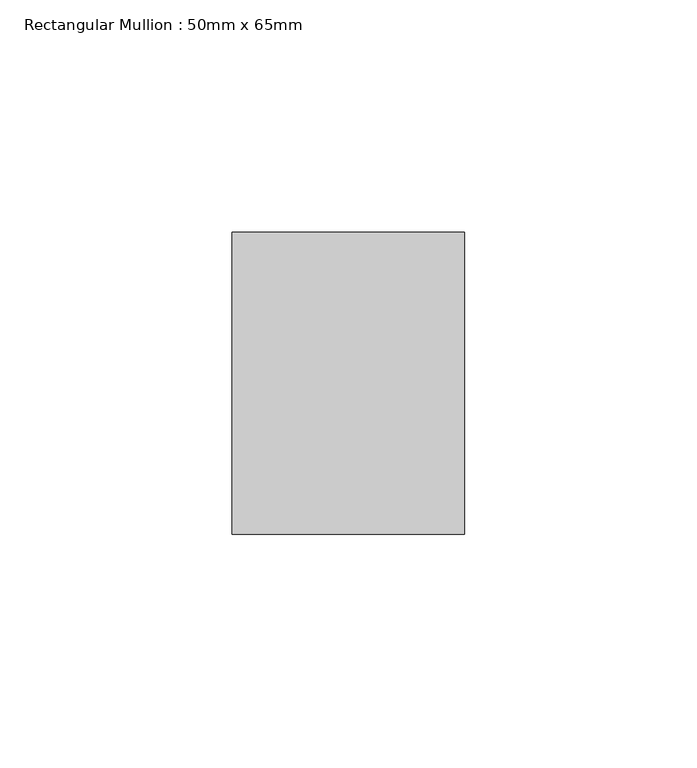
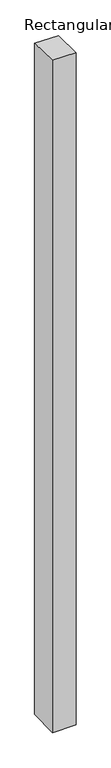
"""IFC4 building model written with IfcOpenShell, lengths in millimetres: member geometry, Rectangular Mullion : 50mm x 65mm."""

from ifc_helpers import new_model, si_unit, origin, place, context, project, spatial, faceted_brep, source, transform, mapped, element, save


def rectangular_mullion_50mm_x_65mm_38e27a8c(model_context):
    return source(origin(), model_context, "Body", "Brep", [
        faceted_brep([(-25.0, 32.5, -0.7127119), (25.0, 32.5, -0.7127039), (25.0, 32.5, -1499.1020228), (-25.0, 32.5, -1499.1020127), (-25.0, -32.5, 0.7127039), (-25.0, -32.5, -1500.8979398), (25.0, -32.5, 0.7127119), (25.0, -32.5, -1500.8979499)], [[[0, 1, 2, 3]], [[4, 0, 3, 5]], [[6, 4, 5, 7]], [[1, 6, 7, 2]], [[1, 0, 4, 6]], [[2, 7, 5, 3]]]),
    ])


if __name__ == "__main__":
    model = new_model("IFC4")
    model_context = context("Model", 3, world=origin())
    ifc_project = project(units=[si_unit("LENGTHUNIT", "METRE", prefix="MILLI")], contexts=[model_context])
    site = spatial("IfcSite", under=ifc_project)
    building = spatial("IfcBuilding", under=site)
    placement = place(None, origin())
    rectangular_mullion_50mm_x_65mm_shape = rectangular_mullion_50mm_x_65mm_38e27a8c(model_context)
    element("IfcMember", 1, ObjectType="Rectangular Mullion : 50mm x 65mm", at=placement, inside=building, context=model_context, shape_type="MappedRepresentation", body=[
        mapped(rectangular_mullion_50mm_x_65mm_shape, transform((0.0, 0.0, 0.0), x_axis=(1.0, 0.0, 0.0), y_axis=(0.0, 1.0, 0.0), z_axis=(0.0, 0.0, 1.0))),
    ])
    save(model, "model.ifc")
